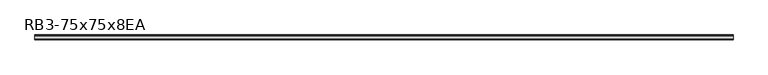
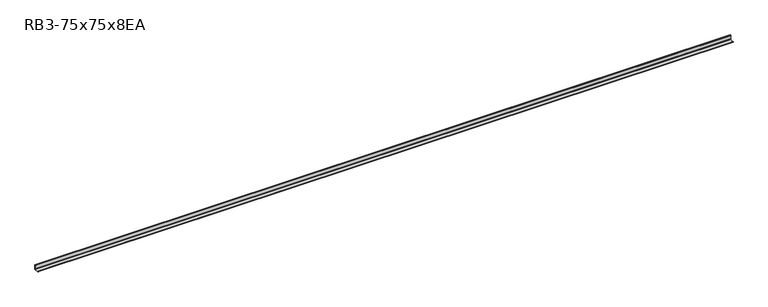
"""IFC4 building model written with IfcOpenShell, lengths in millimetres: member geometry, RB3-75x75x8EA."""

from ifc_helpers import new_model, si_unit, point, frame, frame_2d, origin, place, context, project, spatial, polyline, circle_curve, trimmed, segment, composite_curve, outline, extrude, source, transform, mapped, element, save


def rb3_75x75x8ea_a142a69b(model_context):
    return source(origin(), model_context, "Body", "SweptSolid", [
        extrude(outline(composite_curve([segment(polyline([(21.3, -21.3), (-53.7, -21.3), (-53.7, -18.3)]), True, "CONTINUOUS"), segment(trimmed(circle_curve(frame_2d((-48.7, -18.3)), 5.0), [point((-53.7, -18.3))], [point((-48.7, -13.3))], False, "CARTESIAN"), True, "CONTINUOUS"), segment(polyline([(-48.7, -13.3), (5.3, -13.3)]), True, "CONTINUOUS"), segment(trimmed(circle_curve(frame_2d((5.3, -5.3)), 8.0), [point((5.3, -13.3))], [point((13.3, -5.3))], True, "CARTESIAN"), True, "CONTINUOUS"), segment(polyline([(13.3, -5.3), (13.3, 48.7)]), True, "CONTINUOUS"), segment(trimmed(circle_curve(frame_2d((18.3, 48.7)), 5.0), [point((13.3, 48.7))], [point((18.3, 53.7))], False, "CARTESIAN"), True, "CONTINUOUS"), segment(polyline([(18.3, 53.7), (21.3, 53.7), (21.3, -21.3)]), True, "CONTINUOUS")], self_intersect=False)), frame((-5447.0, 0.0, 0.0), z_axis=(1.0, 0.0, 0.0), x_axis=(0.0, 1.0, 0.0)), (0.0, 0.0, 1.0), 10895.5944099),
    ])


if __name__ == "__main__":
    model = new_model("IFC4")
    model_context = context("Model", 3, world=origin())
    ifc_project = project(units=[si_unit("LENGTHUNIT", "METRE", prefix="MILLI")], contexts=[model_context])
    site = spatial("IfcSite", under=ifc_project)
    building = spatial("IfcBuilding", under=site)
    placement = place(None, origin())
    rb3_75x75x8ea_shape = rb3_75x75x8ea_a142a69b(model_context)
    element("IfcMember", 1, ObjectType="RB3-75x75x8EA", at=placement, inside=building, context=model_context, shape_type="MappedRepresentation", body=[
        mapped(rb3_75x75x8ea_shape, transform((0.0, 0.0, 0.0), x_axis=(1.0, 0.0, 0.0), y_axis=(0.0, 1.0, 0.0), z_axis=(0.0, 0.0, 1.0))),
    ])
    save(model, "model.ifc")
